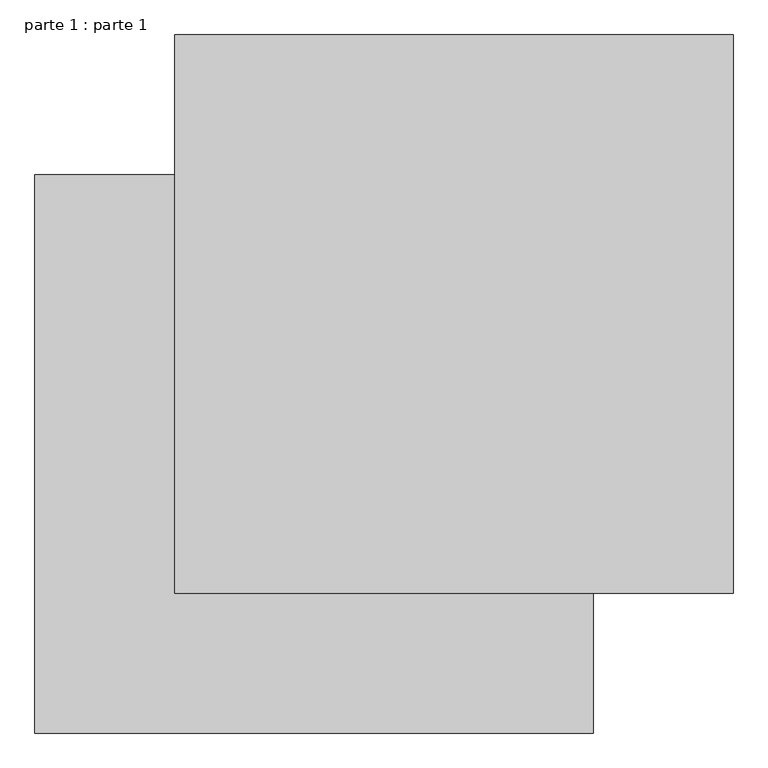
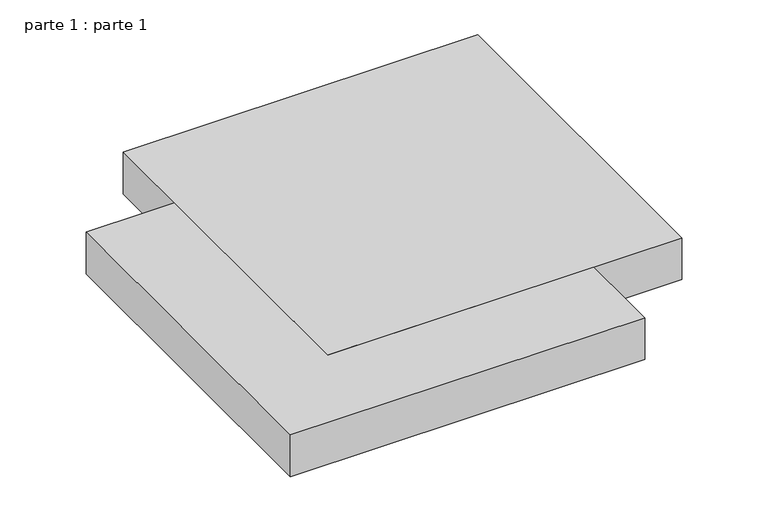
"""IFC4 building model written with IfcOpenShell, lengths in millimetres: proxy geometry, parte 1 : parte 1."""

from ifc_helpers import new_model, si_unit, frame, origin, place, context, project, spatial, polyline, outline, extrude, source, transform, mapped, element, save


def parte_1_parte_1_d2498705(model_context):
    return source(origin(), model_context, "Body", "SweptSolid", [
        extrude(outline(polyline([(1000.0, 1000.0), (1000.0, 200.0), (200.0, 200.0), (200.0, 1000.0), (1000.0, 1000.0)])), frame((0.0, 0.0, 300.0), z_axis=(0.0, 0.0, 1.0), x_axis=(1.0, 0.0, 0.0)), (0.0, 0.0, 1.0), 100.0),
        extrude(outline(polyline([(800.0, 0.0), (0.0, 0.0), (0.0, 800.0), (800.0, 800.0), (800.0, 0.0)])), frame((0.0, 0.0, 300.0), z_axis=(0.0, 0.0, 1.0), x_axis=(1.0, 0.0, 0.0)), (0.0, 0.0, 1.0), 100.0),
    ])


if __name__ == "__main__":
    model = new_model("IFC4")
    model_context = context("Model", 3, world=origin())
    ifc_project = project(units=[si_unit("LENGTHUNIT", "METRE", prefix="MILLI")], contexts=[model_context])
    site = spatial("IfcSite", under=ifc_project)
    building = spatial("IfcBuilding", under=site)
    placement = place(None, origin())
    parte_1_parte_1_shape = parte_1_parte_1_d2498705(model_context)
    element("IfcBuildingElementProxy", 1, Name="parte 1 : parte 1", ObjectType="parte 1 : parte 1", at=placement, inside=building, context=model_context, shape_type="MappedRepresentation", body=[
        mapped(parte_1_parte_1_shape, transform((0.0, 0.0, 0.0), x_axis=(1.0, 0.0, 0.0), y_axis=(0.0, 1.0, 0.0), z_axis=(0.0, 0.0, 1.0))),
    ])
    save(model, "model.ifc")
